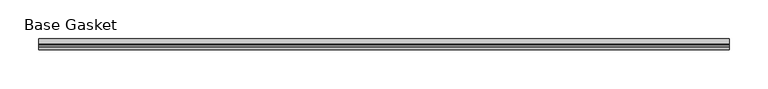
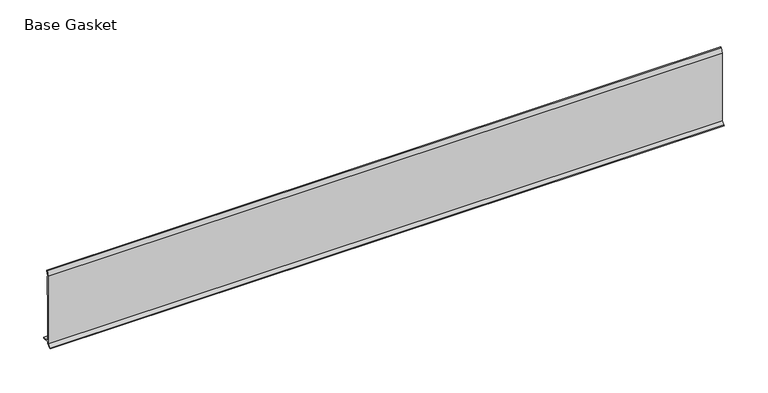
"""IFC4 building model written with IfcOpenShell, lengths in millimetres: furniture geometry, Base Gasket."""

from ifc_helpers import new_model, si_unit, frame, origin, place, context, project, spatial, polyline, outline, extrude, source, transform, mapped, element, save


def base_gasket_dc646e21(model_context):
    return source(origin(), model_context, "Body", "SweptSolid", [
        extrude(outline(polyline([(-3.7283812, 98.4568417), (-1.1891543, 104.587663), (-0.6755308, 105.2002997), (-0.6755308, 104.4162708), (-2.2043812, 98.4568417), (-2.2043812, 96.8693477), (-1.4106313, 96.8693477), (-1.4106313, 71.4693447), (-2.2043812, 71.4693447), (-2.2043812, 7.9398773), (6.2405171, 7.9398773), (6.2405171, 6.3818476), (-2.1334222, 6.3818476), (-2.2043812, 4.3498477), (-6.8281054, 0.3520979), (-7.8482342, 0.0), (-7.4222115, 0.6560174), (-3.7283812, 4.3498477), (-3.7283812, 98.4568417)])), frame((-1527.8982117, 0.0, 0.0), z_axis=(1.0, 0.0, 0.0), x_axis=(0.0, 1.0, 0.0)), (0.0, 0.0, 1.0), 887.0242245),
    ])


if __name__ == "__main__":
    model = new_model("IFC4")
    model_context = context("Model", 3, world=origin())
    ifc_project = project(units=[si_unit("LENGTHUNIT", "METRE", prefix="MILLI")], contexts=[model_context])
    site = spatial("IfcSite", under=ifc_project)
    building = spatial("IfcBuilding", under=site)
    placement = place(None, origin())
    base_gasket_shape = base_gasket_dc646e21(model_context)
    element("IfcFurniture", 1, ObjectType="Base Gasket", at=placement, inside=building, context=model_context, shape_type="MappedRepresentation", body=[
        mapped(base_gasket_shape, transform((0.0, 0.0, 0.0), x_axis=(1.0, 0.0, 0.0), y_axis=(0.0, 1.0, 0.0), z_axis=(0.0, 0.0, 1.0))),
    ])
    save(model, "model.ifc")
